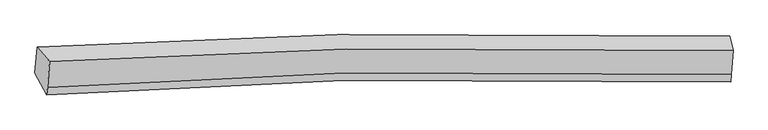
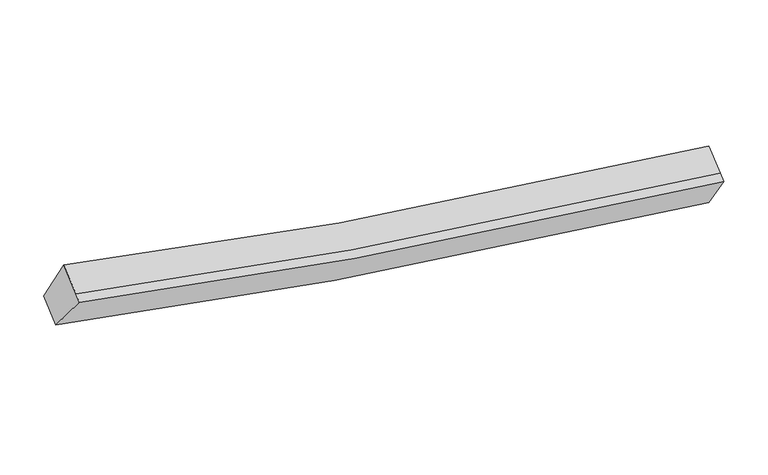
"""IFC4 building model written with IfcOpenShell, lengths in millimetres: proxy geometry."""

from ifc_helpers import new_model, si_unit, frame, origin, place, context, project, spatial, source, transform, mapped, element, save
from ifc_brep_helpers import plane_surface, spline_curve, spline_surface, advanced_brep


def generic_models_69c8b725(model_context):
    return source(origin(), model_context, "Body", "AdvancedBrep", [
        advanced_brep(
        [(-5237.0577316, -1822.6452587, 3944.7653419), (-5023.1598819, -2065.6326847, 4605.4852567), (6579.6088457, -1881.4541198, 2668.3398591), (6518.7250553, -1633.2302769, 1978.3948809), (-5059.2490426, -2503.8514446, 4338.0146612), (6546.3245587, -2285.6142244, 2421.6572573), (-5069.7673191, -2631.571402, 4260.0596848), (6535.8062823, -2413.3341818, 2343.7022809), (-5273.0431595, -2259.6044253, 3678.06355), (6485.5445012, -2036.1307881, 1732.4810826)],
        [
            (0, 1),
            (1, 2, spline_curve(3, [(-5023.1598819, -2065.6326847, 4605.4852567), (-3357.684231461, -1963.014704645, 4172.888874578), (-1680.285858762, -1893.549290351, 3805.93733861), (2179.544214425, -1810.580203226, 3117.499466838), (4369.735417536, -1818.652762888, 2838.735869615), (6579.6088457, -1881.4541198, 2668.3398591)], [4, 2, 4], [0.0, 17.029907246897324, 38.910630029657796])),
            (2, 3),
            (3, 0, spline_curve(3, [(6518.7250553, -1633.2302769, 1978.3948809), (4279.487705914, -1569.755505735, 2151.649585236), (2060.316269565, -1561.940165129, 2434.744837135), (-1850.367225337, -1647.021615676, 3133.505095939), (-3549.790050996, -1717.975284381, 3505.866664537), (-5237.0577316, -1822.6452587, 3944.7653419)], [4, 2, 4], [0.0, 21.880722782760472, 38.910630029657796])),
            (1, 4),
            (4, 5, spline_curve(3, [(-5059.2490426, -2503.8514446, 4338.0146612), (-3392.429234049, -2384.911794185, 3915.380351084), (-1714.095903043, -2304.093494043, 3555.358146787), (2146.935441926, -2206.537755667, 2875.823363597), (4337.12664498, -2214.61031552, 2597.059766434), (6546.3245587, -2285.6142244, 2421.6572573)], [4, 2, 4], [0.0, 16.917584690230505, 38.65399084876947])),
            (5, 2),
            (4, 6),
            (6, 7, spline_curve(3, [(-5069.7673191, -2631.571402, 4260.0596848), (-3402.947510624, -2512.631751581, 3837.425375187), (-1724.614179394, -2431.813451312, 3477.403170405), (2136.417165463, -2334.257713236, 2797.868387174), (4326.608368691, -2342.330272972, 2519.104790289), (6535.8062823, -2413.3341818, 2343.7022809)], [4, 2, 4], [0.0, 16.917508892600992, 38.653817663239074])),
            (7, 5),
            (6, 8),
            (8, 9, spline_curve(3, [(-5273.0431595, -2259.6044253, 3678.06355), (-3584.431320643, -2138.612780065, 3249.126944824), (-1884.073537096, -2056.306226282, 2883.694707926), (2027.811230453, -1956.638123996, 2193.837537224), (4246.98266655, -1964.453464918, 1910.742285282), (6485.5445012, -2036.1307881, 1732.4810826)], [4, 2, 4], [0.0, 17.029560333662296, 38.90983738808055])),
            (9, 7),
            (8, 0),
            (3, 9),
        ],
        [
            spline_surface(3, 3, [[(-5237.0577316, -1822.6452587, 3944.7653419), (-3549.790051075, -1717.9752841, 3505.866664496), (-1850.367225397, -1647.021615794, 3133.505096019), (2060.316269642, -1561.940164978, 2434.744837033), (4279.487706243, -1569.755506044, 2151.649585199), (6518.7250553, -1633.2302769, 1978.3948809)], [(-5165.758448383, -1903.641067373, 4165.005313502), (-3485.754777896, -1799.655091005, 3728.20740116), (-1793.673436528, -1729.197507243, 3357.649176935), (2100.05891789, -1644.820177833, 2662.329713545), (4309.570276656, -1652.721258459, 2380.678346728), (6539.019652084, -1715.971557888, 2208.376540306)], [(-5094.459165117, -1984.636876027, 4385.245285098), (-3421.71950467, -1881.33489789, 3950.54813782), (-1736.979647626, -1811.373398671, 3581.79325788), (2139.801566169, -1727.700190667, 2889.914590086), (4339.652847115, -1735.687010812, 2609.707108239), (6559.314248916, -1798.712838812, 2438.358199694)], [(-5023.1598819, -2065.6326847, 4605.4852567), (-3357.684231491, -1963.014704794, 4172.888874485), (-1680.285858757, -1893.549290121, 3805.937338797), (2179.544214417, -1810.580203522, 3117.499466598), (4369.735417528, -1818.652763227, 2838.735869768), (6579.6088457, -1881.4541198, 2668.3398591)]], [4, 4], [4, 2, 4], [0.0, 2.4139114204303964], [0.0, 17.029907246897324, 38.910630029657796]),
            spline_surface(3, 3, [[(-5023.1598819, -2065.6326847, 4605.4852567), (-3357.684231491, -1963.014704794, 4172.888874485), (-1680.285858757, -1893.549290121, 3805.937338797), (2179.544214417, -1810.580203522, 3117.499466598), (4369.735417528, -1818.652763227, 2838.735869768), (6579.6088457, -1881.4541198, 2668.3398591)], [(-5035.189602134, -2211.705604654, 4516.328391528), (-3369.265898947, -2103.64706783, 4087.052700101), (-1691.555873576, -2030.397358122, 3722.41094149), (2168.674623677, -1942.566054168, 3036.940765545), (4358.865826788, -1950.638613872, 2758.177168714), (6568.514083373, -2016.174154651, 2586.11232516)], [(-5047.219322366, -2357.778524646, 4427.171526372), (-3380.847566399, -2244.279430902, 4001.216525733), (-1702.825888417, -2167.245426169, 3638.884544203), (2157.805032916, -2074.551904859, 2956.38206451), (4347.996236027, -2082.624464564, 2677.61846768), (6557.419321027, -2150.894189549, 2503.88479124)], [(-5059.2490426, -2503.8514446, 4338.0146612), (-3392.429233855, -2384.911793937, 3915.380351349), (-1714.095903237, -2304.09349417, 3555.358146896), (2146.935442175, -2206.537755505, 2875.823363456), (4337.126645286, -2214.61031521, 2597.059766626), (6546.3245587, -2285.6142244, 2421.6572573)]], [4, 4], [4, 2, 4], [0.0, 1.5479501222753147], [0.0, 16.917584690230505, 38.65399084876947]),
            spline_surface(3, 3, [[(-5059.2490426, -2503.8514446, 4338.0146612), (-3392.429233855, -2384.911793937, 3915.380351349), (-1714.095903237, -2304.09349417, 3555.358146896), (2146.935442175, -2206.537755505, 2875.823363456), (4337.126645286, -2214.61031521, 2597.059766626), (6546.3245587, -2285.6142244, 2421.6572573)], [(-5062.755134755, -2546.424763736, 4312.029669079), (-3395.93532601, -2427.485113073, 3889.395359228), (-1717.601995391, -2346.666813306, 3529.373154775), (2143.429350021, -2249.111074641, 2849.838371335), (4333.620553132, -2257.183634346, 2571.074774505), (6542.818466545, -2328.187543536, 2395.672265179)], [(-5066.261226945, -2588.998082864, 4286.044676921), (-3399.4414182, -2470.058432201, 3863.41036707), (-1721.108087482, -2389.240132434, 3503.388162618), (2139.92325793, -2291.684393769, 2823.853379178), (4330.114461041, -2299.756953474, 2545.089782347), (6539.312374455, -2370.760862664, 2369.687273021)], [(-5069.7673191, -2631.571402, 4260.0596848), (-3402.947510355, -2512.631751337, 3837.425374949), (-1724.614179637, -2431.81345157, 3477.403170496), (2136.417165775, -2334.257712905, 2797.868387056), (4326.608368886, -2342.33027261, 2519.104790226), (6535.8062823, -2413.3341818, 2343.7022809)]], [4, 4], [4, 2, 4], [0.0, 0.4921259842519685], [0.0, 16.917508892600992, 38.653817663239074]),
            spline_surface(3, 3, [[(-5069.7673191, -2631.571402, 4260.0596848), (-3402.947510355, -2512.631751337, 3837.425374949), (-1724.614179637, -2431.81345157, 3477.403170496), (2136.417165775, -2334.257712905, 2797.868387056), (4326.608368886, -2342.33027261, 2519.104790226), (6535.8062823, -2413.3341818, 2343.7022809)], [(-5137.525932559, -2507.582409765, 4066.060973189), (-3463.442113775, -2387.95876087, 3641.325898275), (-1777.767298748, -2306.644376558, 3279.500349571), (2100.215187286, -2208.384516488, 2596.524770535), (4300.066468232, -2216.371336633, 2316.317288688), (6519.052355274, -2287.59971725, 2139.961881485)], [(-5205.284546041, -2383.593417535, 3872.062261611), (-3523.936717219, -2263.28577041, 3445.226421634), (-1830.920417866, -2181.475301554, 3081.597528644), (2064.013208789, -2082.511320078, 2395.181154012), (4273.524567555, -2090.412400604, 2113.529787095), (6502.298428226, -2161.86525265, 1936.221482015)], [(-5273.0431595, -2259.6044253, 3678.06355), (-3584.43132064, -2138.612779943, 3249.12694496), (-1884.073536977, -2056.306226542, 2883.694707718), (2027.8112303, -1956.638123661, 2193.837537491), (4246.982666901, -1964.453464627, 1910.742285557), (6485.5445012, -2036.1307881, 1732.4810826)]], [4, 4], [4, 2, 4], [0.0, 2.362198090242012], [0.0, 17.029560333662296, 38.90983738808055]),
            spline_surface(3, 3, [[(-5273.0431595, -2259.6044253, 3678.06355), (-3584.43132064, -2138.612779943, 3249.12694496), (-1884.073536977, -2056.306226542, 2883.694707718), (2027.8112303, -1956.638123661, 2193.837537491), (4246.982666901, -1964.453464627, 1910.742285557), (6485.5445012, -2036.1307881, 1732.4810826)], [(-5261.04801687, -2113.951369772, 3766.964147302), (-3572.884230788, -1998.400281333, 3334.706851475), (-1872.838099761, -1919.878022967, 2966.964837155), (2038.646243437, -1825.072137442, 2274.139970675), (4257.817680038, -1832.887478408, 1991.044718741), (6496.604685923, -1901.830617675, 1814.45234867)], [(-5249.05287423, -1968.298314228, 3855.864744598), (-3561.337140927, -1858.187782709, 3420.286757982), (-1861.602662613, -1783.449819369, 3050.234966582), (2049.481256506, -1693.506151198, 2354.442403849), (4268.652693106, -1701.321492264, 2071.347152015), (6507.664870577, -1767.530447325, 1896.42361483)], [(-5237.0577316, -1822.6452587, 3944.7653419), (-3549.790051075, -1717.9752841, 3505.866664496), (-1850.367225397, -1647.021615794, 3133.505096019), (2060.316269642, -1561.940164978, 2434.744837033), (4279.487706243, -1569.755506044, 2151.649585199), (6518.7250553, -1633.2302769, 1978.3948809)]], [4, 4], [4, 2, 4], [0.0, 1.543096702385465], [0.0, 17.141760649353927, 39.16619726777885]),
            plane_surface(frame((6529.9211711, -1991.0373417, 2180.7295259), z_axis=(0.9950928429901287, -0.02324849618433679, -0.09617557514769597), x_axis=(-0.06980802927352177, 0.5238936022903358, -0.8489183308942049))),
            plane_surface(frame((-5150.757023, -2194.8634427, 4122.0934583), z_axis=(-0.9567518373121441, -0.09004413967352076, 0.2766188256614009), x_axis=(-0.0701218430930831, -0.8514663827212575, -0.5196998424252275))),
        ],
        [
            (0, [[1, 2, 3, 4]]),
            (1, [[5, 6, 7, -2]]),
            (2, [[8, 9, 10, -6]]),
            (3, [[11, 12, 13, -9]]),
            (4, [[14, -4, 15, -12]]),
            (5, [[-13, -15, -3, -7, -10]]),
            (6, [[-14, -11, -8, -5, -1]]),
        ],
    ),
    ])


if __name__ == "__main__":
    model = new_model("IFC4")
    model_context = context("Model", 3, world=origin())
    ifc_project = project(units=[si_unit("LENGTHUNIT", "METRE", prefix="MILLI")], contexts=[model_context])
    site = spatial("IfcSite", under=ifc_project)
    building = spatial("IfcBuilding", under=site)
    placement = place(None, origin())
    generic_models_shape = generic_models_69c8b725(model_context)
    element("IfcBuildingElementProxy", 1, Name="Generic Models", at=placement, inside=building, context=model_context, shape_type="MappedRepresentation", body=[
        mapped(generic_models_shape, transform((0.0, 0.0, 0.0), x_axis=(1.0, 0.0, 0.0), y_axis=(0.0, 1.0, 0.0), z_axis=(0.0, 0.0, 1.0))),
    ])
    save(model, "model.ifc")
